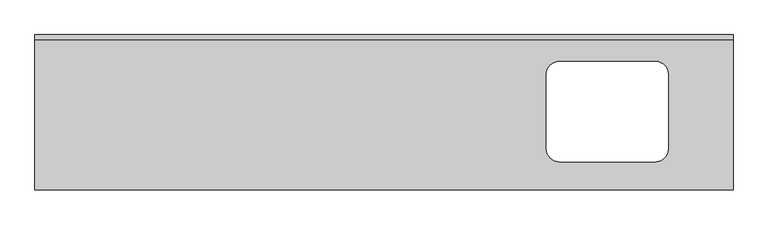
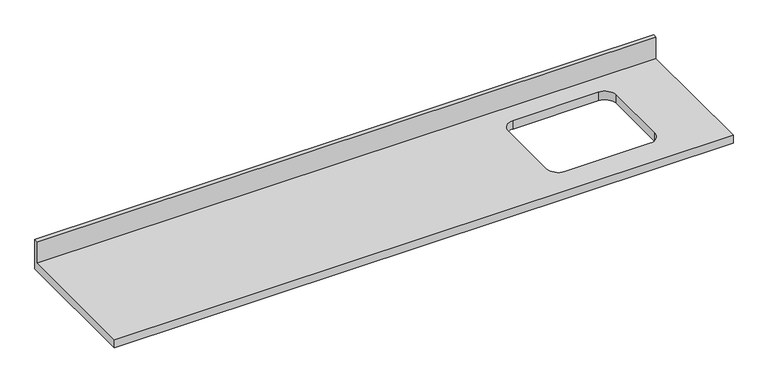
"""IFC4 building model written with IfcOpenShell, lengths in millimetres: furniture geometry."""

from ifc_helpers import new_model, si_unit, frame, origin, place, context, project, spatial, polyline, circle_curve, source, transform, mapped, element, save
from ifc_brep_helpers import plane_surface, revolved_surface, advanced_brep


def furniture_24375a72(model_context):
    return source(origin(), model_context, "Body", "AdvancedBrep", [
        advanced_brep(
        [(-1200.4622951, -625.0, 900.0), (1604.8306198, -625.0, 900.0), (1604.8306198, -19.05, 900.0), (-1200.4622951, -19.05, 900.0), (905.8231953, -107.3, 900.0), (1293.2522145, -107.3, 900.0), (1344.0522145, -158.1, 900.0), (1344.0522145, -459.9, 900.0), (1293.2522145, -510.7, 900.0), (905.8231953, -510.7, 900.0), (855.0231953, -459.9, 900.0), (855.0231953, -158.1, 900.0), (1604.8306198, 0.0, 860.0), (1604.8306198, -625.0, 860.0), (-1200.4622951, -625.0, 860.0), (-1200.4622951, 0.0, 860.0), (1293.2522145, -107.3, 860.0), (905.8231953, -107.3, 860.0), (855.0231953, -158.1, 860.0), (855.0231953, -459.9, 860.0), (905.8231953, -510.7, 860.0), (1293.2522145, -510.7, 860.0), (1344.0522145, -459.9, 860.0), (1344.0522145, -158.1, 860.0), (-1200.4622951, 0.0, 1001.6), (1604.8306198, 0.0, 1001.6), (-1200.4622951, -19.05, 1001.6), (1604.8306198, -19.05, 1001.6)],
        [
            (0, 1),
            (1, 2),
            (2, 3),
            (3, 0),
            (4, 5),
            (5, 6, circle_curve(frame((1293.2522145, -158.1, 900.0), z_axis=(0.0, 0.0, -1.0), x_axis=(1.0, 0.0, 0.0)), 50.8)),
            (6, 7),
            (7, 8, circle_curve(frame((1293.2522145, -459.9, 900.0), z_axis=(0.0, 0.0, -1.0), x_axis=(1.0, 0.0, 0.0)), 50.8)),
            (8, 9),
            (9, 10, circle_curve(frame((905.8231953, -459.9, 900.0), z_axis=(0.0, 0.0, -1.0), x_axis=(1.0, 0.0, 0.0)), 50.8)),
            (10, 11),
            (11, 4, circle_curve(frame((905.8231953, -158.1, 900.0), z_axis=(0.0, 0.0, -1.0), x_axis=(1.0, 0.0, 0.0)), 50.8)),
            (12, 13),
            (13, 14),
            (14, 15),
            (15, 12),
            (16, 17),
            (17, 18, circle_curve(frame((905.8231953, -158.1, 860.0), z_axis=(0.0, 0.0, 1.0), x_axis=(1.0, 0.0, 0.0)), 50.8)),
            (18, 19),
            (19, 20, circle_curve(frame((905.8231953, -459.9, 860.0), z_axis=(0.0, 0.0, 1.0), x_axis=(1.0, 0.0, 0.0)), 50.8)),
            (20, 21),
            (21, 22, circle_curve(frame((1293.2522145, -459.9, 860.0), z_axis=(0.0, 0.0, 1.0), x_axis=(1.0, 0.0, 0.0)), 50.8)),
            (22, 23),
            (23, 16, circle_curve(frame((1293.2522145, -158.1, 860.0), z_axis=(0.0, 0.0, 1.0), x_axis=(1.0, 0.0, 0.0)), 50.8)),
            (15, 24),
            (24, 25),
            (25, 12),
            (14, 0),
            (3, 26),
            (26, 24),
            (13, 1),
            (25, 27),
            (27, 2),
            (26, 27),
            (4, 17),
            (16, 5),
            (11, 18),
            (10, 19),
            (9, 20),
            (8, 21),
            (7, 22),
            (6, 23),
        ],
        [
            plane_surface(frame((-1200.4622951, 0.0, 900.0), z_axis=(0.0, 0.0, 1.0), x_axis=(-1.0, 0.0, 0.0))),
            plane_surface(frame((-1200.4622951, 0.0, 860.0), z_axis=(0.0, 0.0, -1.0), x_axis=(1.0, 0.0, 0.0))),
            plane_surface(frame((1604.8306198, 0.0, 900.0), z_axis=(0.0, 1.0, 0.0), x_axis=(0.0, 0.0, -1.0))),
            plane_surface(frame((-1200.4622951, 0.0, 900.0), z_axis=(-1.0, 0.0, 0.0), x_axis=(0.0, 0.0, -1.0))),
            plane_surface(frame((-1200.4622951, -625.0, 900.0), z_axis=(0.0, -1.0, 0.0), x_axis=(0.0, 0.0, -1.0))),
            plane_surface(frame((1604.8306198, -625.0, 900.0), z_axis=(1.0, 0.0, 0.0), x_axis=(0.0, 0.0, -1.0))),
            plane_surface(frame((-1200.4622951, 0.0, 1001.6), z_axis=(0.0, 0.0, 1.0), x_axis=(0.0, -1.0, 0.0))),
            plane_surface(frame((-1200.4622951, -19.05, 1001.6), z_axis=(0.0, -1.0, 0.0), x_axis=(0.0, 0.0, -1.0))),
            plane_surface(frame((1293.2522145, -107.3, 900.0), z_axis=(0.0, -1.0, 0.0), x_axis=(0.0, 0.0, -1.0))),
            revolved_surface(polyline([(956.6231952999999, -158.1, 900.0), (956.6231952999999, -158.1, 860.0)]), (905.8231953, -158.1, 860.0), (0.0, 0.0, 1.0)),
            plane_surface(frame((855.0231953, -158.1, 900.0), z_axis=(1.0, 0.0, 0.0), x_axis=(0.0, 0.0, -1.0))),
            revolved_surface(polyline([(956.6231952999999, -459.9, 900.0), (956.6231952999999, -459.9, 860.0)]), (905.8231953, -459.9, 860.0), (0.0, 0.0, 1.0)),
            plane_surface(frame((905.8231953, -510.7, 900.0), z_axis=(0.0, 1.0, 0.0), x_axis=(0.0, 0.0, -1.0))),
            revolved_surface(polyline([(1344.0522145, -459.9, 900.0), (1344.0522145, -459.9, 860.0)]), (1293.2522145, -459.9, 860.0), (0.0, 0.0, 1.0)),
            plane_surface(frame((1344.0522145, -459.9, 900.0), z_axis=(-1.0, 0.0, 0.0), x_axis=(0.0, 0.0, -1.0))),
            revolved_surface(polyline([(1344.0522145, -158.1, 900.0), (1344.0522145, -158.1, 860.0)]), (1293.2522145, -158.1, 860.0), (0.0, 0.0, 1.0)),
        ],
        [
            (0, [[1, 2, 3, 4], [5, 6, 7, 8, 9, 10, 11, 12]]),
            (1, [[13, 14, 15, 16], [17, 18, 19, 20, 21, 22, 23, 24]]),
            (2, [[-16, 25, 26, 27]]),
            (3, [[-15, 28, -4, 29, 30, -25]]),
            (4, [[-1, -28, -14, 31]]),
            (5, [[-13, -27, 32, 33, -2, -31]]),
            (6, [[-30, 34, -32, -26]]),
            (7, [[-34, -29, -3, -33]]),
            (8, [[35, -17, 36, -5]]),
            (9, [[-35, -12, 37, -18]]),
            (10, [[-37, -11, 38, -19]]),
            (11, [[-38, -10, 39, -20]]),
            (12, [[-39, -9, 40, -21]]),
            (13, [[-40, -8, 41, -22]]),
            (14, [[-41, -7, 42, -23]]),
            (15, [[-36, -24, -42, -6]]),
        ],
    ),
    ])


if __name__ == "__main__":
    model = new_model("IFC4")
    model_context = context("Model", 3, world=origin())
    ifc_project = project(units=[si_unit("LENGTHUNIT", "METRE", prefix="MILLI")], contexts=[model_context])
    site = spatial("IfcSite", under=ifc_project)
    building = spatial("IfcBuilding", under=site)
    placement = place(None, origin())
    furniture_shape = furniture_24375a72(model_context)
    element("IfcFurniture", 1, at=placement, inside=building, context=model_context, shape_type="MappedRepresentation", body=[
        mapped(furniture_shape, transform((0.0, 0.0, 0.0), x_axis=(1.0, 0.0, 0.0), y_axis=(0.0, 1.0, 0.0), z_axis=(0.0, 0.0, 1.0))),
    ])
    save(model, "model.ifc")
